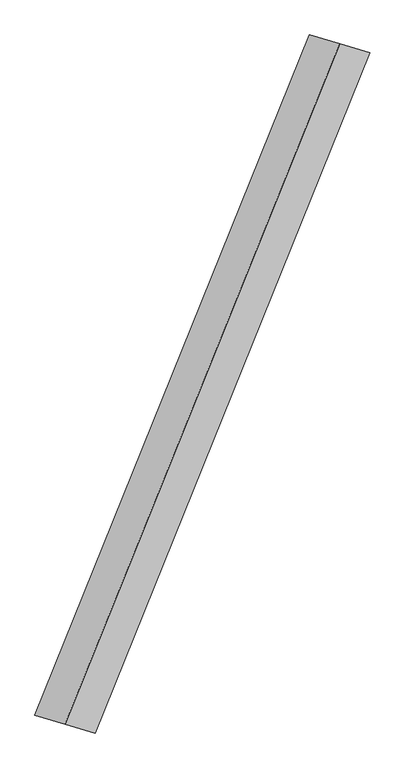
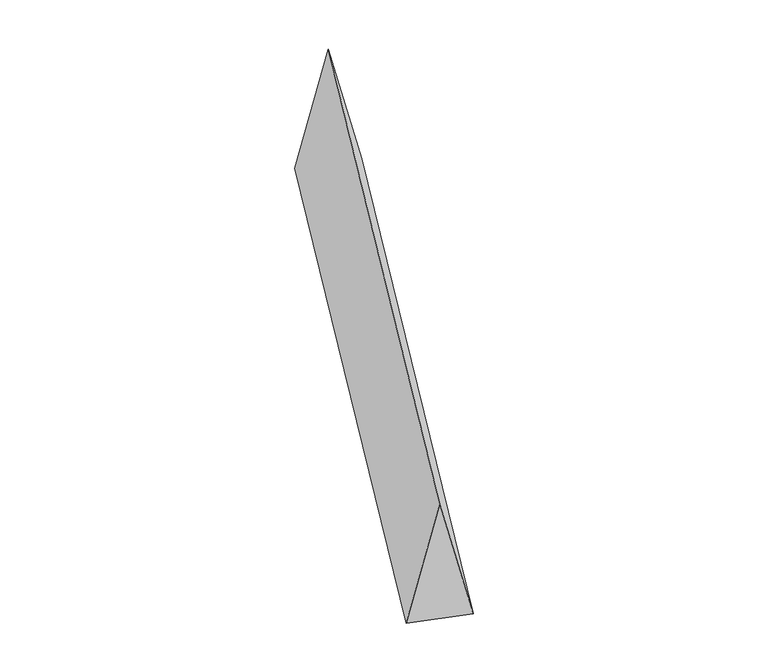
"""IFC4 building model written with IfcOpenShell, lengths in millimetres: proxy geometry."""

from ifc_helpers import new_model, si_unit, origin, place, context, project, spatial, faceted_brep, source, transform, mapped, element, save


def generic_models_b259c1fe(model_context):
    return source(origin(), model_context, "Body", "Brep", [
        faceted_brep([(-753.0411741, -1863.0132124, 700.0), (-587.3841141, -1911.9258819, 0.0), (918.698234, 1814.1005429, 0.0), (753.0411741, 1863.0132124, 700.0), (-918.698234, -1814.1005429, 0.0), (587.3841141, 1911.9258819, 0.0)], [[[0, 1, 2, 3]], [[1, 4, 5, 2]], [[4, 0, 3, 5]], [[3, 2, 5]], [[0, 4, 1]]]),
    ])


if __name__ == "__main__":
    model = new_model("IFC4")
    model_context = context("Model", 3, world=origin())
    ifc_project = project(units=[si_unit("LENGTHUNIT", "METRE", prefix="MILLI")], contexts=[model_context])
    site = spatial("IfcSite", under=ifc_project)
    building = spatial("IfcBuilding", under=site)
    placement = place(None, origin())
    generic_models_shape = generic_models_b259c1fe(model_context)
    element("IfcBuildingElementProxy", 1, Name="Generic Models", at=placement, inside=building, context=model_context, shape_type="MappedRepresentation", body=[
        mapped(generic_models_shape, transform((0.0, 0.0, 0.0), x_axis=(1.0, 0.0, 0.0), y_axis=(0.0, 1.0, 0.0), z_axis=(0.0, 0.0, 1.0))),
    ])
    save(model, "model.ifc")
